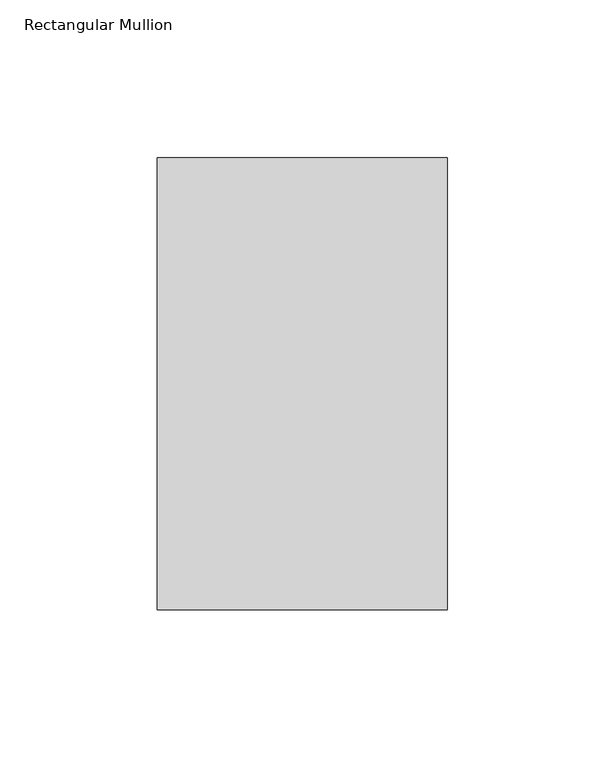
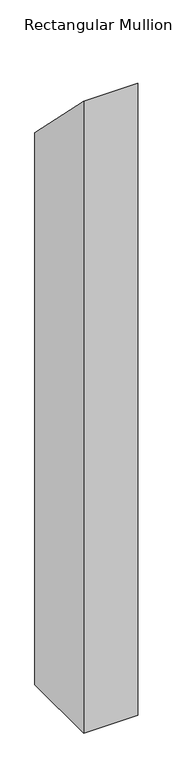
"""IFC4 building model written with IfcOpenShell, lengths in millimetres: member geometry, Rectangular Mullion."""

from ifc_helpers import new_model, si_unit, frame, origin, place, context, project, spatial, polyline, outline, extrude, source, transform, mapped, element, save


def rectangular_mullion_44616ccc(model_context):
    return source(origin(), model_context, "Body", "SweptSolid", [
        extrude(outline(polyline([(46.7447302, -46.7447302), (190.4071312, -190.4071312), (190.4071312, -1181.4194229), (46.7447302, -1181.4194229), (46.7447302, -46.7447302)])), frame((-92.0877, 0.0, 0.0), z_axis=(1.0, 0.0, 0.0), x_axis=(0.0, 1.0, 0.0)), (0.0, 0.0, 1.0), 92.0877),
    ])


if __name__ == "__main__":
    model = new_model("IFC4")
    model_context = context("Model", 3, world=origin())
    ifc_project = project(units=[si_unit("LENGTHUNIT", "METRE", prefix="MILLI")], contexts=[model_context])
    site = spatial("IfcSite", under=ifc_project)
    building = spatial("IfcBuilding", under=site)
    placement = place(None, origin())
    rectangular_mullion_shape = rectangular_mullion_44616ccc(model_context)
    element("IfcMember", 1, ObjectType="Rectangular Mullion", at=placement, inside=building, context=model_context, shape_type="MappedRepresentation", body=[
        mapped(rectangular_mullion_shape, transform((0.0, 0.0, 0.0), x_axis=(1.0, 0.0, 0.0), y_axis=(0.0, 1.0, 0.0), z_axis=(0.0, 0.0, 1.0))),
    ])
    save(model, "model.ifc")
